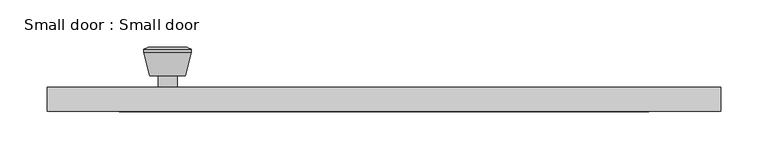
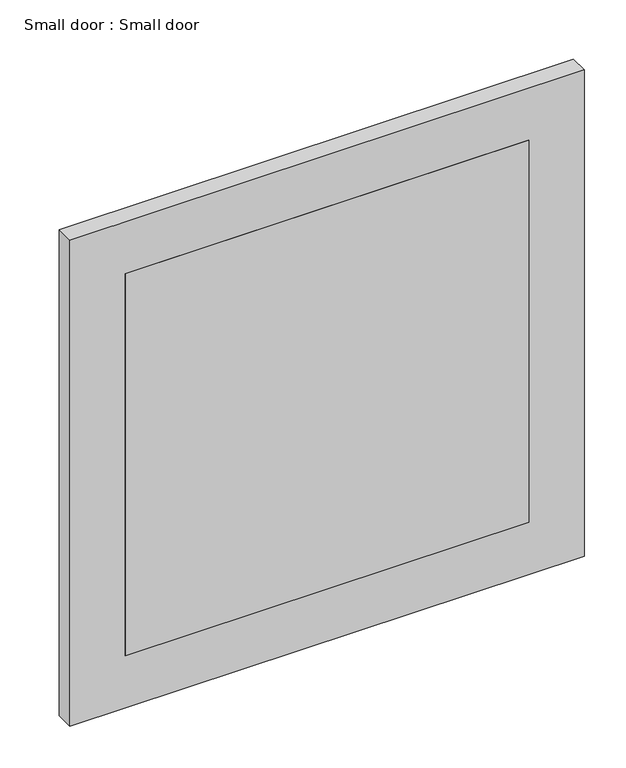
"""IFC4 building model written with IfcOpenShell, lengths in millimetres: proxy geometry, Small door : Small door."""

import ifcopenshell
import ifcopenshell.guid

model = None  # the IFC model being written
_history = None  # IfcOwnerHistory: only IFC2X3 demands one
_inside = {}  # id of a spatial element -> (the spatial element, [elements in it])
_under = {}  # id of a project, library or spatial element -> (it, [spatial elements below it])
_declared = {}  # id of a project -> (the project, [libraries it declares])
_typed = {}  # id of a type object -> (the type object, [elements of that type])
_made_of = {}  # id of a material, layer set ... -> (it, [elements and type objects made of it])


def new_model(schema):
    """Start an empty IFC model of exactly this schema.

    Asked for "IFC4X3", IfcOpenShell would pick the latest addendum, in which some entities
    have other attributes; the version numbers below select the first issue.
    IFC2X3 requires an IfcOwnerHistory on every rooted entity: one is made here for all.
    """
    global model, _history
    if schema == "IFC4X3":
        model = ifcopenshell.file(schema_version=(4, 3, 0, 0))
    else:
        model = ifcopenshell.file(schema=schema)
    _inside.clear()
    _under.clear()
    _declared.clear()
    _typed.clear()
    _made_of.clear()
    _history = None
    if model.schema == "IFC2X3":
        org = make("IfcOrganization", Name="unknown")
        user = make(
            "IfcPersonAndOrganization",
            ThePerson=make("IfcPerson", FamilyName="unknown"),
            TheOrganization=org,
        )
        app = make(
            "IfcApplication",
            ApplicationDeveloper=org,
            Version="unknown",
            ApplicationFullName="unknown",
            ApplicationIdentifier="unknown",
        )
        _history = make(
            "IfcOwnerHistory",
            OwningUser=user,
            OwningApplication=app,
            ChangeAction="ADDED",
            CreationDate=0,
        )
    return model


def make(cls, **values):
    """One entity of the class cls with the attributes given. An attribute that is None is left unset."""
    return model.create_entity(
        cls, **{name: value for name, value in values.items() if value is not None}
    )


def rooted(cls, **values):
    """An entity with a GlobalId (a new one), such as an element, a storey or a relation."""
    return make(cls, GlobalId=ifcopenshell.guid.new(), OwnerHistory=_history, **values)


def si_unit(unit_type, name, prefix=None):
    """IfcSIUnit, for example si_unit("LENGTHUNIT", "METRE", prefix="MILLI")."""
    return make("IfcSIUnit", UnitType=unit_type, Prefix=prefix, Name=name)


def assignment(units):
    """IfcUnitAssignment: the units of a project."""
    return None if units is None else make("IfcUnitAssignment", Units=units)


def point(xyz):
    """IfcCartesianPoint."""
    return None if xyz is None else make("IfcCartesianPoint", Coordinates=xyz)


def direction(xyz):
    """IfcDirection."""
    return None if xyz is None else make("IfcDirection", DirectionRatios=xyz)


def frame(location, z_axis=None, x_axis=None):
    """IfcAxis2Placement3D, a coordinate frame: its origin and axes. An axis left out is left unset."""
    return make(
        "IfcAxis2Placement3D",
        Location=point(location),
        Axis=direction(z_axis),
        RefDirection=direction(x_axis),
    )


def frame_2d(location, x_axis=None):
    """IfcAxis2Placement2D, a coordinate frame in the plane: its origin and x axis."""
    return make(
        "IfcAxis2Placement2D", Location=point(location), RefDirection=direction(x_axis)
    )


def origin():
    """The frame at (0, 0, 0) with its axes left unset."""
    return frame((0.0, 0.0, 0.0))


def place(relative_to, where):
    """IfcLocalPlacement: puts the frame where relative to a parent placement (None: the world)."""
    return make(
        "IfcLocalPlacement", PlacementRelTo=relative_to, RelativePlacement=where
    )


def context(
    kind, dimensions, precision=None, world=None, true_north=None, identifier=None
):
    """IfcGeometricRepresentationContext, for example the 3D "Model" context."""
    return make(
        "IfcGeometricRepresentationContext",
        ContextIdentifier=identifier,
        ContextType=kind,
        CoordinateSpaceDimension=dimensions,
        Precision=precision,
        WorldCoordinateSystem=world,
        TrueNorth=true_north,
    )


def project(units=None, contexts=None):
    """IfcProject with its units and contexts."""
    return rooted(
        "IfcProject",
        Name="project",
        RepresentationContexts=contexts,
        UnitsInContext=assignment(units),
    )


def spatial(cls, under=None, at=None, **own):
    """A site, building, storey or space (cls), placed at a placement, below another one or the project."""
    s = rooted(cls, ObjectPlacement=at, **own)
    if under is not None:
        _under.setdefault(under.id(), (under, []))[1].append(s)
    return s


def polyline(points):
    """IfcPolyline through the points."""
    return make("IfcPolyline", Points=[point(p) for p in points])


def circle_curve(where, radius):
    """IfcCircle in the frame where."""
    return make("IfcCircle", Position=where, Radius=radius)


def trimmed(basis, trim1, trim2, sense, master):
    """IfcTrimmedCurve: the piece of a basis curve between two trims."""
    return make(
        "IfcTrimmedCurve",
        BasisCurve=basis,
        Trim1=trim1,
        Trim2=trim2,
        SenseAgreement=sense,
        MasterRepresentation=master,
    )


def segment(curve, same_sense, transition):
    """IfcCompositeCurveSegment."""
    return make(
        "IfcCompositeCurveSegment",
        Transition=transition,
        SameSense=same_sense,
        ParentCurve=curve,
    )


def composite_curve(segments, self_intersect=None):
    """IfcCompositeCurve: segments joined end to end."""
    return make("IfcCompositeCurve", Segments=segments, SelfIntersect=self_intersect)


def outline(outer, holes=None, kind="AREA"):
    """IfcArbitraryClosedProfileDef: a profile drawn as a closed curve; with holes, ...WithVoids."""
    if holes is None:
        return make("IfcArbitraryClosedProfileDef", ProfileType=kind, OuterCurve=outer)
    return make(
        "IfcArbitraryProfileDefWithVoids",
        ProfileType=kind,
        OuterCurve=outer,
        InnerCurves=holes,
    )


def extrude(swept, where, along, depth):
    """IfcExtrudedAreaSolid: the profile swept, set in the frame where, extruded along a direction by depth."""
    return make(
        "IfcExtrudedAreaSolid",
        SweptArea=swept,
        Position=where,
        ExtrudedDirection=direction(along),
        Depth=depth,
    )


def shape(context_of_items, identifier, shape_type, items):
    """IfcShapeRepresentation: the items that make up one representation, for example the "Body"."""
    return make(
        "IfcShapeRepresentation",
        ContextOfItems=context_of_items,
        RepresentationIdentifier=identifier,
        RepresentationType=shape_type,
        Items=items,
    )


def source(mapping_origin, context_of_items, identifier, shape_type, items):
    """IfcRepresentationMap: a shape defined once, which mapped items show again and again."""
    return make(
        "IfcRepresentationMap",
        MappingOrigin=mapping_origin,
        MappedRepresentation=shape(context_of_items, identifier, shape_type, items),
    )


def transform(
    local_origin,
    x_axis=None,
    y_axis=None,
    z_axis=None,
    scale=None,
    scale2=None,
    scale3=None,
    uniform=True,
):
    """IfcCartesianTransformationOperator3D, or its non-uniform kind. x_axis, y_axis, z_axis: its Axis1, 2, 3."""
    if uniform:
        return make(
            "IfcCartesianTransformationOperator3D",
            Axis1=direction(x_axis),
            Axis2=direction(y_axis),
            LocalOrigin=point(local_origin),
            Scale=scale,
            Axis3=direction(z_axis),
        )
    return make(
        "IfcCartesianTransformationOperator3DnonUniform",
        Axis1=direction(x_axis),
        Axis2=direction(y_axis),
        LocalOrigin=point(local_origin),
        Scale=scale,
        Axis3=direction(z_axis),
        Scale2=scale2,
        Scale3=scale3,
    )


def mapped(mapping_source, mapping_target):
    """IfcMappedItem: shows the shape of a source again, moved by a transform."""
    return make(
        "IfcMappedItem", MappingSource=mapping_source, MappingTarget=mapping_target
    )


def made_of(thing, what):
    """Note that an element or type object is made of a material, layer set ...; save() writes the relation."""
    if what is not None:
        _made_of.setdefault(what.id(), (what, []))[1].append(thing)
    return thing


def element(
    cls,
    number,
    at=None,
    inside=None,
    cuts=None,
    type_object=None,
    material=None,
    context=None,
    identifier="Body",
    shape_type=None,
    held_by="IfcProductDefinitionShape",
    body=None,
    shapes=None,
    **own,
):
    """One element of the class cls, such as IfcWall. Its Tag is "e" and its number.

    at: its placement. inside: the storey or other place that contains it. cuts: it is an
    opening in that element (IfcRelVoidsElement). A single representation is given by context,
    identifier, shape_type and body (its items); several are given by shapes. held_by: the class
    of the entity that holds the representations. save() writes the other relations.
    """
    e = rooted(cls, Tag="e%d" % number, ObjectPlacement=at, **own)
    if body is not None:
        shapes = [shape(context, identifier, shape_type, body)]
    if shapes is not None:
        e.Representation = make(held_by, Representations=shapes)
    if inside is not None:
        _inside.setdefault(inside.id(), (inside, []))[1].append(e)
    if cuts is not None:
        rooted(
            "IfcRelVoidsElement", RelatingBuildingElement=cuts, RelatedOpeningElement=e
        )
    if type_object is not None:
        _typed.setdefault(type_object.id(), (type_object, []))[1].append(e)
    return made_of(e, material)


def aggregate(whole, parts):
    """IfcRelAggregates: a whole, such as a stair, and the parts it consists of."""
    return rooted("IfcRelAggregates", RelatingObject=whole, RelatedObjects=parts)


def save(model, path):
    """Write the relations noted so far, then the file.

    IfcRelAggregates (storeys below a building ...), IfcRelContainedInSpatialStructure (elements
    in a storey), IfcRelDefinesByType, IfcRelAssociatesMaterial and IfcRelDeclares: one each for
    every whole, place, type object, material and project.
    """
    for whole, parts in _under.values():
        aggregate(whole, parts)
    for where, things in _inside.values():
        rooted(
            "IfcRelContainedInSpatialStructure",
            RelatedElements=things,
            RelatingStructure=where,
        )
    for kind, things in _typed.values():
        rooted("IfcRelDefinesByType", RelatedObjects=things, RelatingType=kind)
    for what, things in _made_of.values():
        rooted("IfcRelAssociatesMaterial", RelatedObjects=things, RelatingMaterial=what)
    for by, libraries in _declared.values():
        rooted("IfcRelDeclares", RelatingContext=by, RelatedDefinitions=libraries)
    model.write(path)


def plane_surface(at):
    """IfcPlane: the flat surface through the origin of the frame at, square to its z axis."""
    return make("IfcPlane", Position=at)


def cylinder_surface(at, radius):
    """IfcCylindricalSurface: all points at the distance radius from the z axis of the frame at."""
    return make("IfcCylindricalSurface", Position=at, Radius=radius)


def revolved_surface(curve, axis_point, axis_direction):
    """IfcSurfaceOfRevolution: the curve turned about the line through axis_point along axis_direction."""
    return make(
        "IfcSurfaceOfRevolution",
        SweptCurve=make("IfcArbitraryOpenProfileDef", ProfileType="CURVE", Curve=curve),
        AxisPosition=make("IfcAxis1Placement", Location=point(axis_point), Axis=direction(axis_direction)),
    )


def advanced_brep(points, edges, surfaces, faces):
    """IfcAdvancedBrep: a solid bounded by faces that lie on surfaces and meet in shared edges.

    An edge is (start, end): straight between two places in points (the first is 0);
    or (start, end, curve); or (start, end, curve, False) where it runs against its curve.
    A face is (place in surfaces, loops), or (place, loops, False) where it looks against
    its surface's normal. A loop lists edges by number (the first is 1), with a minus sign
    where the edge is run from its end to its start. The first loop is the outer one.
    """
    corners = [point(p) for p in points]
    vertices = [make("IfcVertexPoint", VertexGeometry=c) for c in corners]
    made = []
    for start, end, *more in edges:
        made.append(
            make(
                "IfcEdgeCurve",
                EdgeStart=vertices[start],
                EdgeEnd=vertices[end],
                EdgeGeometry=more[0] if more else make("IfcPolyline", Points=[corners[start], corners[end]]),
                SameSense=more[1] if len(more) > 1 else True,
            )
        )
    hull = []
    for where, loops, *sense in faces:
        bounds = []
        for j, loop in enumerate(loops):
            ring = [make("IfcOrientedEdge", EdgeElement=made[abs(k) - 1], Orientation=k > 0) for k in loop]
            bounds.append(
                make(
                    "IfcFaceOuterBound" if j == 0 else "IfcFaceBound",
                    Bound=make("IfcEdgeLoop", EdgeList=ring),
                    Orientation=True,
                )
            )
        hull.append(make("IfcAdvancedFace", Bounds=bounds, FaceSurface=surfaces[where], SameSense=sense[0] if sense else True))
    return make("IfcAdvancedBrep", Outer=make("IfcClosedShell", CfsFaces=hull))


def small_door_small_door_40e21b98(model_context):
    return source(origin(), model_context, "Body", "SolidModel", [
        advanced_brep(
        [(-228.6, 133.0, 1140.8538815), (-238.6, 133.0, 1140.8538815), (-218.6, 133.0, 1140.8538815), (-208.1241324, 182.0, 1140.8538815), (-249.0758676, 182.0, 1140.8538815), (-228.6, 182.0, 1140.8538815), (-203.6, 180.1721319, 1140.8538815), (-253.6, 180.1721319, 1140.8538815), (-203.6, 176.7084537, 1140.8538815), (-253.6, 176.7084537, 1140.8538815), (-209.963764, 152.0, 1140.8538815), (-247.236236, 152.0, 1140.8538815), (-218.6, 152.0, 1140.8538815), (-238.6, 152.0, 1140.8538815)],
        [
            (0, 1),
            (1, 2, circle_curve(frame((-228.6, 133.0, 1140.8538815), z_axis=(0.0, -1.0, 0.0), x_axis=(-1.0, 0.0, 0.0)), 10.0)),
            (2, 0),
            (2, 1, circle_curve(frame((-228.6, 133.0, 1140.8538815), z_axis=(0.0, -1.0, 0.0), x_axis=(-1.0, 0.0, 0.0)), 10.0)),
            (3, 4, circle_curve(frame((-228.6, 182.0, 1140.8538815), z_axis=(0.0, 1.0, 0.0), x_axis=(-1.0, 0.0, 0.0)), 20.4758676)),
            (4, 5),
            (5, 3),
            (4, 3, circle_curve(frame((-228.6, 182.0, 1140.8538815), z_axis=(0.0, 1.0, 0.0), x_axis=(-1.0, 0.0, 0.0)), 20.4758676)),
            (6, 7, circle_curve(frame((-228.6, 180.1721319, 1140.8538815), z_axis=(0.0, 1.0, 0.0), x_axis=(-1.0, 0.0, 0.0)), 25.0)),
            (7, 4),
            (3, 6),
            (7, 6, circle_curve(frame((-228.6, 180.1721319, 1140.8538815), z_axis=(0.0, 1.0, 0.0), x_axis=(-1.0, 0.0, 0.0)), 25.0)),
            (8, 9, circle_curve(frame((-228.6, 176.7084537, 1140.8538815), z_axis=(0.0, 1.0, 0.0), x_axis=(-1.0, 0.0, 0.0)), 25.0)),
            (9, 7),
            (6, 8),
            (9, 8, circle_curve(frame((-228.6, 176.7084537, 1140.8538815), z_axis=(0.0, 1.0, 0.0), x_axis=(-1.0, 0.0, 0.0)), 25.0)),
            (10, 11, circle_curve(frame((-228.6, 152.0, 1140.8538815), z_axis=(0.0, 1.0, 0.0), x_axis=(-1.0, 0.0, 0.0)), 18.636236)),
            (11, 9),
            (8, 10),
            (11, 10, circle_curve(frame((-228.6, 152.0, 1140.8538815), z_axis=(0.0, 1.0, 0.0), x_axis=(-1.0, 0.0, 0.0)), 18.636236)),
            (12, 13, circle_curve(frame((-228.6, 152.0, 1140.8538815), z_axis=(0.0, 1.0, 0.0), x_axis=(-1.0, 0.0, 0.0)), 10.0)),
            (13, 11),
            (10, 12),
            (13, 12, circle_curve(frame((-228.6, 152.0, 1140.8538815), z_axis=(0.0, 1.0, 0.0), x_axis=(-1.0, 0.0, 0.0)), 10.0)),
            (1, 13),
            (12, 2),
        ],
        [
            plane_surface(frame((-228.6, 133.0, 1140.8538815), z_axis=(0.0, -1.0, 0.0), x_axis=(-1.0, 0.0, 0.0))),
            plane_surface(frame((-228.6, 182.0, 1140.8538815), z_axis=(0.0, 1.0, 0.0), x_axis=(-1.0, 0.0, 0.0))),
            revolved_surface(polyline([(-249.0758676, 182.0, 1140.8538815), (-253.6, 180.1721319, 1140.8538815)]), (-228.6, 133.0, 1140.8538815), (0.0, -1.0, 0.0)),
            cylinder_surface(frame((-228.6, 133.0, 1140.8538815), z_axis=(0.0, -1.0, 0.0), x_axis=(-1.0, 0.0, 0.0)), 25.0),
            revolved_surface(polyline([(-253.6, 176.7084537, 1140.8538815), (-247.236236, 152.0, 1140.8538815)]), (-228.6, 133.0, 1140.8538815), (0.0, -1.0, 0.0)),
            plane_surface(frame((-228.6, 152.0, 1140.8538815), z_axis=(0.0, -1.0, 0.0), x_axis=(-1.0, 0.0, 0.0))),
            cylinder_surface(frame((-228.6, 133.0, 1140.8538815), z_axis=(0.0, -1.0, 0.0), x_axis=(-1.0, 0.0, 0.0)), 10.0),
        ],
        [
            (0, [[1, 2, 3]]),
            (0, [[-3, 4, -1]]),
            (1, [[5, 6, 7]]),
            (1, [[8, -7, -6]]),
            (2, [[9, 10, -5, 11]]),
            (2, [[12, -11, -8, -10]]),
            (3, [[13, 14, -9, 15]]),
            (3, [[16, -15, -12, -14]]),
            (4, [[17, 18, -13, 19]]),
            (4, [[20, -19, -16, -18]]),
            (5, [[21, 22, -17, 23]]),
            (5, [[24, -23, -20, -22]]),
            (6, [[-2, 25, -21, 26]]),
            (6, [[-4, -26, -24, -25]]),
        ],
    ),
        extrude(outline(composite_curve([segment(trimmed(circle_curve(frame_2d((1140.8538815, -228.6)), 30.0), [point((1140.8538815, -258.6))], [point((1140.8538815, -198.6))], False, "CARTESIAN"), True, "CONTINUOUS"), segment(trimmed(circle_curve(frame_2d((1140.8538815, -228.6)), 30.0), [point((1140.8538815, -198.6))], [point((1140.8538815, -258.6))], False, "CARTESIAN"), True, "CONTINUOUS")], self_intersect=False)), frame((0.0, 127.0, 0.0), z_axis=(0.0, 1.0, 0.0), x_axis=(0.0, 0.0, 1.0)), (0.0, 0.0, 1.0), 6.0),
        extrude(outline(polyline([(279.4, 114.3), (-279.4, 114.3), (-279.4, 127.0), (279.4, 127.0), (279.4, 114.3)])), frame((0.0, 0.0, 861.4538815), z_axis=(0.0, 0.0, 1.0), x_axis=(1.0, 0.0, 0.0)), (0.0, 0.0, 1.0), 558.8),
        extrude(outline(polyline([(1496.4538815, -355.6), (785.2538815, -355.6), (785.2538815, 355.6), (1496.4538815, 355.6), (1496.4538815, -355.6)]), holes=[polyline([(1420.2538815, -279.4), (1420.2538815, 279.4), (861.4538815, 279.4), (861.4538815, -279.4), (1420.2538815, -279.4)])]), frame((0.0, 114.3, 0.0), z_axis=(0.0, 1.0, 0.0), x_axis=(0.0, 0.0, 1.0)), (0.0, 0.0, 1.0), 25.4),
    ])


if __name__ == "__main__":
    model = new_model("IFC4")
    model_context = context("Model", 3, world=origin())
    ifc_project = project(units=[si_unit("LENGTHUNIT", "METRE", prefix="MILLI")], contexts=[model_context])
    site = spatial("IfcSite", under=ifc_project)
    building = spatial("IfcBuilding", under=site)
    placement = place(None, origin())
    small_door_small_door_shape = small_door_small_door_40e21b98(model_context)
    element("IfcBuildingElementProxy", 1, Name="Small door : Small door", ObjectType="Small door : Small door", at=placement, inside=building, context=model_context, shape_type="MappedRepresentation", body=[
        mapped(small_door_small_door_shape, transform((0.0, 0.0, 0.0), x_axis=(1.0, 0.0, 0.0), y_axis=(0.0, 1.0, 0.0), z_axis=(0.0, 0.0, 1.0))),
    ])
    save(model, "model.ifc")
